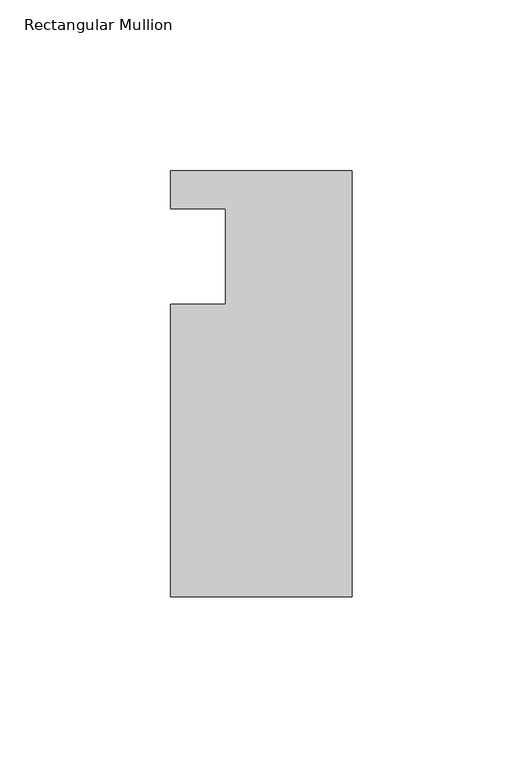
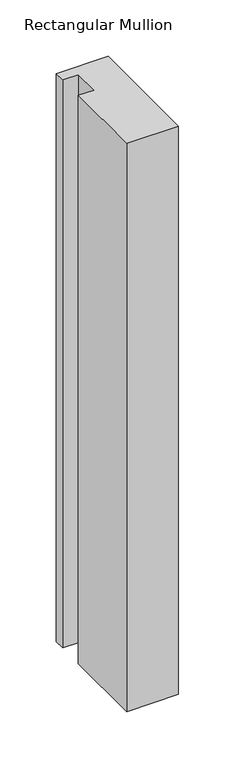
"""IFC4 building model written with IfcOpenShell, lengths in millimetres: member geometry, Rectangular Mullion."""

from ifc_helpers import new_model, si_unit, frame, origin, place, context, project, spatial, polyline, outline, extrude, source, transform, mapped, element, save


def rectangular_mullion_50b5ae42(model_context):
    return source(origin(), model_context, "Body", "SweptSolid", [
        extrude(outline(polyline([(0.0, 25.0), (0.0, -99.5), (-53.0, -99.5), (-53.0, -14.0), (-37.0, -14.0), (-37.0, 14.0), (-53.0, 14.0), (-53.0, 25.0), (0.0, 25.0)])), frame((0.0, 0.0, -614.5427132), z_axis=(0.0, 0.0, 1.0), x_axis=(1.0, 0.0, 0.0)), (0.0, 0.0, 1.0), 614.5427132),
    ])


if __name__ == "__main__":
    model = new_model("IFC4")
    model_context = context("Model", 3, world=origin())
    ifc_project = project(units=[si_unit("LENGTHUNIT", "METRE", prefix="MILLI")], contexts=[model_context])
    site = spatial("IfcSite", under=ifc_project)
    building = spatial("IfcBuilding", under=site)
    placement = place(None, origin())
    rectangular_mullion_shape = rectangular_mullion_50b5ae42(model_context)
    element("IfcMember", 1, ObjectType="Rectangular Mullion", at=placement, inside=building, context=model_context, shape_type="MappedRepresentation", body=[
        mapped(rectangular_mullion_shape, transform((0.0, 0.0, 0.0), x_axis=(1.0, 0.0, 0.0), y_axis=(0.0, 1.0, 0.0), z_axis=(0.0, 0.0, 1.0))),
    ])
    save(model, "model.ifc")
